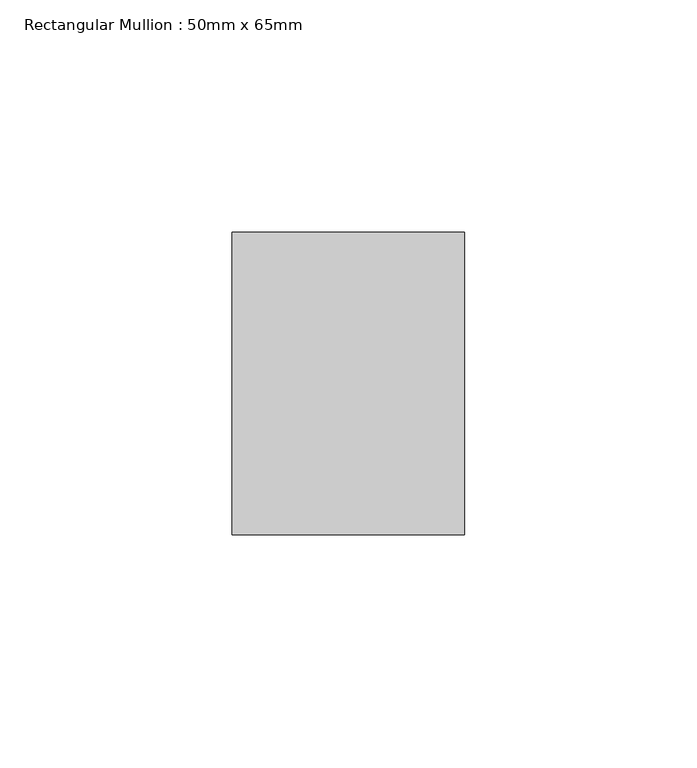
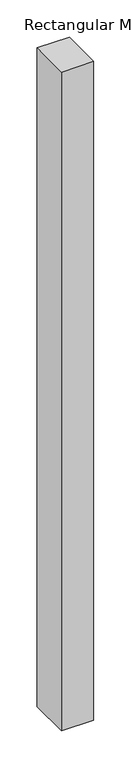
"""IFC4 building model written with IfcOpenShell, lengths in millimetres: member geometry, Rectangular Mullion : 50mm x 65mm."""

from ifc_helpers import new_model, si_unit, frame, origin, place, context, project, spatial, polyline, outline, extrude, source, transform, mapped, element, save


def rectangular_mullion_50mm_x_65mm_b7de3aa8(model_context):
    return source(origin(), model_context, "Body", "SweptSolid", [
        extrude(outline(polyline([(25.0, 32.5), (25.0, -32.5), (-25.0, -32.5), (-25.0, 32.5), (25.0, 32.5)])), frame((0.0, 0.0, -1078.0447392), z_axis=(0.0, 0.0, 1.0), x_axis=(1.0, 0.0, 0.0)), (0.0, 0.0, 1.0), 1078.0447392),
    ])


if __name__ == "__main__":
    model = new_model("IFC4")
    model_context = context("Model", 3, world=origin())
    ifc_project = project(units=[si_unit("LENGTHUNIT", "METRE", prefix="MILLI")], contexts=[model_context])
    site = spatial("IfcSite", under=ifc_project)
    building = spatial("IfcBuilding", under=site)
    placement = place(None, origin())
    rectangular_mullion_50mm_x_65mm_shape = rectangular_mullion_50mm_x_65mm_b7de3aa8(model_context)
    element("IfcMember", 1, ObjectType="Rectangular Mullion : 50mm x 65mm", at=placement, inside=building, context=model_context, shape_type="MappedRepresentation", body=[
        mapped(rectangular_mullion_50mm_x_65mm_shape, transform((0.0, 0.0, 0.0), x_axis=(1.0, 0.0, 0.0), y_axis=(0.0, 1.0, 0.0), z_axis=(0.0, 0.0, 1.0))),
    ])
    save(model, "model.ifc")
